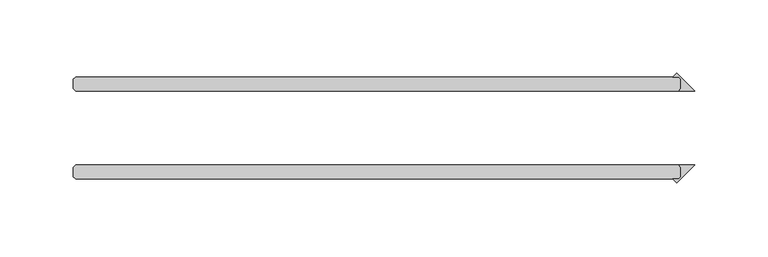
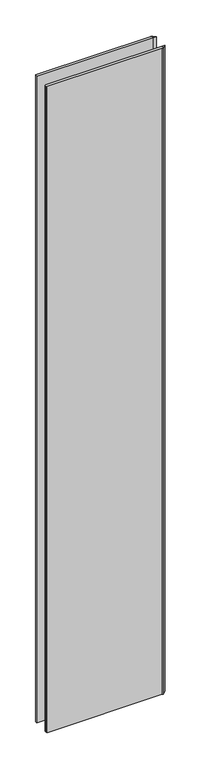
"""IFC4 building model written with IfcOpenShell, lengths in millimetres: plate geometry."""

from ifc_helpers import new_model, si_unit, origin, origin_with_axes, place, context, project, spatial, polyline, outline, extrude, source, transform, mapped, element, save


def plate_4e60e5b0(model_context):
    return source(origin(), model_context, "Body", "SweptSolid", [
        extrude(outline(polyline([(212.328125, -26.9875), (210.740625, -25.4), (221.853125, -25.4), (209.618093, -37.635032), (206.908061, -34.925), (210.740625, -34.925), (212.328125, -33.3375), (212.328125, -26.9875)])), origin_with_axes(), (0.0, 0.0, 1.0), 2417.7625023),
        extrude(outline(polyline([(212.328125, 26.9875), (212.328125, 33.3375), (210.740625, 34.925), (206.908061, 34.925), (209.618093, 37.635032), (221.853125, 25.4), (210.740625, 25.4), (212.328125, 26.9875)])), origin_with_axes(), (0.0, 0.0, 1.0), 2417.7625023),
        extrude(outline(polyline([(210.740625, 25.4), (-201.215625, 25.4), (-202.803125, 26.9875), (-202.803125, 33.3375), (-201.215625, 34.925), (210.740625, 34.925), (212.328125, 33.3375), (212.328125, 26.9875), (210.740625, 25.4)])), origin_with_axes(), (0.0, 0.0, 1.0), 2417.7625023),
        extrude(outline(polyline([(210.740625, -34.925), (-201.215625, -34.925), (-202.803125, -33.3375), (-202.803125, -26.9875), (-201.215625, -25.4), (210.740625, -25.4), (212.328125, -26.9875), (212.328125, -33.3375), (210.740625, -34.925)])), origin_with_axes(), (0.0, 0.0, 1.0), 2417.7625023),
    ])


if __name__ == "__main__":
    model = new_model("IFC4")
    model_context = context("Model", 3, world=origin())
    ifc_project = project(units=[si_unit("LENGTHUNIT", "METRE", prefix="MILLI")], contexts=[model_context])
    site = spatial("IfcSite", under=ifc_project)
    building = spatial("IfcBuilding", under=site)
    placement = place(None, origin())
    plate_shape = plate_4e60e5b0(model_context)
    element("IfcPlate", 1, at=placement, inside=building, context=model_context, shape_type="MappedRepresentation", body=[
        mapped(plate_shape, transform((0.0, 0.0, 0.0), x_axis=(1.0, 0.0, 0.0), y_axis=(0.0, 1.0, 0.0), z_axis=(0.0, 0.0, 1.0))),
    ])
    save(model, "model.ifc")
